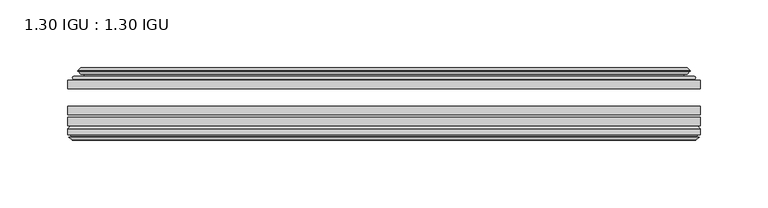
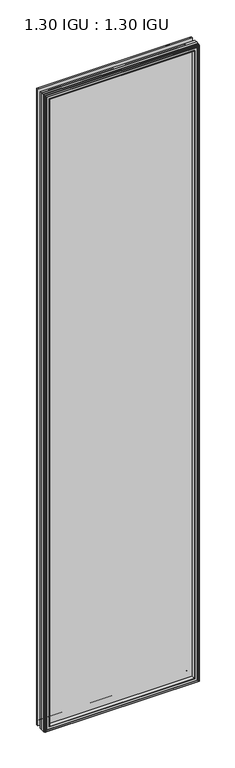
"""IFC4 building model written with IfcOpenShell, lengths in millimetres: plate geometry, 1.30 IGU : 1.30 IGU."""

from ifc_helpers import new_model, si_unit, frame, origin, place, context, project, spatial, polyline, ellipse_curve, outline, extrude, faceted_brep, source, transform, mapped, element, save
from ifc_brep_helpers import plane_surface, cylinder_surface, revolved_surface, advanced_brep


def plate_1_30_igu_1_30_igu_d434692c(model_context):
    return source(origin(), model_context, "Body", "SolidModel", [
        extrude(outline(polyline([(233.2955532, -44.92625), (233.2955532, -51.27625), (-233.3625, -51.27625), (-233.3625, -44.92625), (233.2955532, -44.92625)])), frame((0.0, 0.0, -14.2875), z_axis=(0.0, 0.0, 1.0), x_axis=(1.0, 0.0, 0.0)), (0.0, 0.0, 1.0), 2025.65),
        extrude(outline(polyline([(-233.3625, -78.58125), (-233.3625, -72.23125), (233.2955532, -72.23125), (233.2955532, -78.58125), (-233.3625, -78.58125)])), frame((0.0, 0.0, -14.2875), z_axis=(0.0, 0.0, 1.0), x_axis=(1.0, 0.0, 0.0)), (0.0, 0.0, 1.0), 2025.65),
        extrude(outline(polyline([(-233.3625, -70.32625), (-233.3625, -63.97625), (233.2955532, -63.97625), (233.2955532, -70.32625), (-233.3625, -70.32625)])), frame((0.0, 0.0, -14.2875), z_axis=(0.0, 0.0, 1.0), x_axis=(1.0, 0.0, 0.0)), (0.0, 0.0, 1.0), 2025.65),
        advanced_brep(
        [(-215.0272902, -43.8351483, 1993.0272902), (-215.4691004, -44.92625, 1993.4691004), (-215.4691004, -44.92625, 3.6058996), (-215.0272902, -43.8351483, 4.0477098), (-219.075, -36.11245, 1997.075), (-219.075, -36.11245, 0.0), (-224.2609109, -37.2935491, 2002.2609109), (-224.2609109, -37.2935491, -5.1859109), (-223.9313356, -36.4664324, 2001.9313356), (-223.9313356, -36.4664324, -4.8563356), (-223.9313356, -35.6521812, 2001.9313356), (-223.9313356, -35.6521812, -4.8563356), (-225.7476111, -37.610817, 2003.7476111), (-225.7476111, -37.610817, -6.6726111), (-225.7476111, -38.3239429, 2003.7476111), (-225.7476111, -38.3239429, -6.6726111), (-223.9313356, -40.2727974, 2001.9313356), (-223.9313356, -40.2727974, -4.8563356), (-223.9313356, -39.4683275, 2001.9313356), (-223.9313356, -39.4683275, -4.8563356), (-224.2532501, -38.6604367, 2002.2532501), (-224.2532501, -38.6604367, -5.1782501), (-221.7294379, -38.502045, 1999.7294379), (-221.7294379, -38.502045, -2.6544379), (-220.7036217, -39.1897544, 1998.7036217), (-220.7036217, -39.1897544, -1.6286217), (-220.8220288, -40.5842231, 1998.8220288), (-220.8220288, -40.5842231, -1.7470288), (-221.4237748, -42.08145, 1999.4237748), (-221.4237748, -42.08145, -2.3487748), (-229.3495553, -43.9898729, 2007.3495553), (-228.8639245, -42.08145, 2006.8639245), (-228.8639245, -42.08145, -9.7889245), (-229.3495553, -43.9898729, -10.2745553), (-227.6288155, -44.92625, 2005.6288155), (-227.6288155, -44.92625, -8.5538155), (215.4691004, -44.92625, 3.6058996), (215.0272902, -43.8351483, 4.0477098), (219.075, -36.11245, 0.0), (224.2609109, -37.2935491, -5.1859109), (223.9313356, -36.4664324, -4.8563356), (223.9313356, -35.6521812, -4.8563356), (225.7476111, -37.610817, -6.6726111), (225.7476111, -38.3239429, -6.6726111), (223.9313356, -40.2727974, -4.8563356), (223.9313356, -39.4683275, -4.8563356), (224.2532501, -38.6604367, -5.1782501), (221.7294379, -38.502045, -2.6544379), (220.7036217, -39.1897544, -1.6286217), (220.8220288, -40.5842231, -1.7470288), (221.4237748, -42.08145, -2.3487748), (228.8639245, -42.08145, -9.7889245), (229.3495553, -43.9898729, -10.2745553), (227.6288155, -44.92625, -8.5538155), (215.4691004, -44.92625, 1993.4691004), (215.0272902, -43.8351483, 1993.0272902), (219.075, -36.11245, 1997.075), (224.2609109, -37.2935491, 2002.2609109), (223.9313356, -36.4664324, 2001.9313356), (223.9313356, -35.6521812, 2001.9313356), (225.7476111, -37.610817, 2003.7476111), (225.7476111, -38.3239429, 2003.7476111), (223.9313356, -40.2727974, 2001.9313356), (223.9313356, -39.4683275, 2001.9313356), (224.2532501, -38.6604367, 2002.2532501), (221.7294379, -38.502045, 1999.7294379), (220.7036217, -39.1897544, 1998.7036217), (220.8220288, -40.5842231, 1998.8220288), (221.4237748, -42.08145, 1999.4237748), (228.8639245, -42.08145, 2006.8639245), (229.3495553, -43.9898729, 2007.3495553), (227.6288155, -44.92625, 2005.6288155)],
        [
            (0, 1, ellipse_curve(frame((-215.4691004, -44.29125, 1993.4691004), z_axis=(-0.7071067811865475, 0.0, -0.7071067811865475), x_axis=(-0.7071067811865474, 0.0, 0.7071067811865476)), 0.8980256, 0.635)),
            (1, 2),
            (2, 3, ellipse_curve(frame((-215.4691004, -44.29125, 3.6058996), z_axis=(-0.7071067811865475, 0.0, 0.7071067811865475), x_axis=(0.7071067811865474, 0.0, 0.7071067811865476)), 0.8980256, 0.635)),
            (3, 0),
            (4, 0, ellipse_curve(frame((-205.3422054, -33.8367745, 1983.3422054), z_axis=(0.7071067811865475, 0.0, 0.7071067811865475), x_axis=(0.7071067811865474, 0.0, -0.7071067811865476)), 19.6859517, 13.9200699)),
            (3, 5, ellipse_curve(frame((-205.3422054, -33.8367745, 13.7327946), z_axis=(0.7071067811865475, 0.0, -0.7071067811865475), x_axis=(-0.7071067811865474, 0.0, -0.7071067811865476)), 19.6859517, 13.9200699)),
            (5, 4),
            (6, 4),
            (5, 7),
            (7, 6),
            (8, 6),
            (7, 9),
            (9, 8),
            (10, 8),
            (9, 11),
            (11, 10),
            (12, 10),
            (11, 13),
            (13, 12),
            (14, 12, ellipse_curve(frame((-225.3857729, -37.96738, 2003.3857729), z_axis=(-0.7071067811865475, 0.0, -0.7071067811865475), x_axis=(-0.7071067811865474, 0.0, 0.7071067811865476)), 0.7184205, 0.508)),
            (13, 15, ellipse_curve(frame((-225.3857729, -37.96738, -6.3107729), z_axis=(-0.7071067811865475, 0.0, 0.7071067811865475), x_axis=(0.7071067811865474, 0.0, 0.7071067811865476)), 0.7184205, 0.508)),
            (15, 14),
            (16, 14),
            (15, 17),
            (17, 16),
            (18, 16),
            (17, 19),
            (19, 18),
            (20, 18),
            (19, 21),
            (21, 20),
            (22, 20),
            (21, 23),
            (23, 22),
            (24, 22, ellipse_curve(frame((-221.6658, -39.51605, 1999.6658), z_axis=(0.7071067811865475, 0.0, 0.7071067811865475), x_axis=(0.7071067811865474, 0.0, -0.7071067811865476)), 1.436841, 1.016)),
            (23, 25, ellipse_curve(frame((-221.6658, -39.51605, -2.5908), z_axis=(0.7071067811865475, 0.0, -0.7071067811865475), x_axis=(-0.7071067811865474, 0.0, -0.7071067811865476)), 1.436841, 1.016)),
            (25, 24),
            (26, 24, ellipse_curve(frame((-223.0374, -39.69385, 2001.0374), z_axis=(0.7071067811865475, 0.0, 0.7071067811865475), x_axis=(0.7071067811865474, 0.0, -0.7071067811865476)), 3.3765763, 2.3876)),
            (25, 27, ellipse_curve(frame((-223.0374, -39.69385, -3.9624), z_axis=(0.7071067811865475, 0.0, -0.7071067811865475), x_axis=(-0.7071067811865474, 0.0, -0.7071067811865476)), 3.3765763, 2.3876)),
            (27, 26),
            (28, 26),
            (27, 29),
            (29, 28),
            (30, 31, ellipse_curve(frame((-228.8639245, -43.09745, 2006.8639245), z_axis=(-0.7071067811865475, 0.0, -0.7071067811865475), x_axis=(-0.7071067811865474, 0.0, 0.7071067811865476)), 1.436841, 1.016)),
            (31, 32),
            (32, 33, ellipse_curve(frame((-228.8639245, -43.09745, -9.7889245), z_axis=(-0.7071067811865475, 0.0, 0.7071067811865475), x_axis=(0.7071067811865474, 0.0, 0.7071067811865476)), 1.436841, 1.016)),
            (33, 30),
            (34, 30),
            (33, 35),
            (35, 34),
            (2, 36),
            (36, 37, ellipse_curve(frame((215.4691004, -44.29125, 3.6058996), z_axis=(-0.7071067811865475, 0.0, -0.7071067811865475), x_axis=(-0.7071067811865476, 0.0, 0.7071067811865474)), 0.8980256, 0.635)),
            (37, 3),
            (37, 38, ellipse_curve(frame((205.3422054, -33.8367745, 13.7327946), z_axis=(0.7071067811865475, 0.0, 0.7071067811865475), x_axis=(0.7071067811865476, 0.0, -0.7071067811865474)), 19.6859517, 13.9200699)),
            (38, 5),
            (38, 39),
            (39, 7),
            (39, 40),
            (40, 9),
            (40, 41),
            (41, 11),
            (41, 42),
            (42, 13),
            (42, 43, ellipse_curve(frame((225.3857729, -37.96738, -6.3107729), z_axis=(-0.7071067811865475, 0.0, -0.7071067811865475), x_axis=(-0.7071067811865476, 0.0, 0.7071067811865474)), 0.7184205, 0.508)),
            (43, 15),
            (43, 44),
            (44, 17),
            (44, 45),
            (45, 19),
            (45, 46),
            (46, 21),
            (46, 47),
            (47, 23),
            (47, 48, ellipse_curve(frame((221.6658, -39.51605, -2.5908), z_axis=(0.7071067811865475, 0.0, 0.7071067811865475), x_axis=(0.7071067811865476, 0.0, -0.7071067811865474)), 1.436841, 1.016)),
            (48, 25),
            (48, 49, ellipse_curve(frame((223.0374, -39.69385, -3.9624), z_axis=(0.7071067811865475, 0.0, 0.7071067811865475), x_axis=(0.7071067811865476, 0.0, -0.7071067811865474)), 3.3765763, 2.3876)),
            (49, 27),
            (49, 50),
            (50, 29),
            (32, 51),
            (51, 52, ellipse_curve(frame((228.8639245, -43.09745, -9.7889245), z_axis=(-0.7071067811865475, 0.0, -0.7071067811865475), x_axis=(-0.7071067811865476, 0.0, 0.7071067811865474)), 1.436841, 1.016)),
            (52, 33),
            (52, 53),
            (53, 35),
            (36, 54),
            (54, 55, ellipse_curve(frame((215.4691004, -44.29125, 1993.4691004), z_axis=(0.7071067811865475, 0.0, -0.7071067811865475), x_axis=(-0.7071067811865474, 0.0, -0.7071067811865476)), 0.8980256, 0.635)),
            (55, 37),
            (55, 56, ellipse_curve(frame((205.3422054, -33.8367745, 1983.3422054), z_axis=(-0.7071067811865475, 0.0, 0.7071067811865475), x_axis=(0.7071067811865474, 0.0, 0.7071067811865476)), 19.6859517, 13.9200699)),
            (56, 38),
            (56, 57),
            (57, 39),
            (57, 58),
            (58, 40),
            (58, 59),
            (59, 41),
            (59, 60),
            (60, 42),
            (60, 61, ellipse_curve(frame((225.3857729, -37.96738, 2003.3857729), z_axis=(0.7071067811865475, 0.0, -0.7071067811865475), x_axis=(-0.7071067811865474, 0.0, -0.7071067811865476)), 0.7184205, 0.508)),
            (61, 43),
            (61, 62),
            (62, 44),
            (62, 63),
            (63, 45),
            (63, 64),
            (64, 46),
            (64, 65),
            (65, 47),
            (65, 66, ellipse_curve(frame((221.6658, -39.51605, 1999.6658), z_axis=(-0.7071067811865475, 0.0, 0.7071067811865475), x_axis=(0.7071067811865474, 0.0, 0.7071067811865476)), 1.436841, 1.016)),
            (66, 48),
            (66, 67, ellipse_curve(frame((223.0374, -39.69385, 2001.0374), z_axis=(-0.7071067811865475, 0.0, 0.7071067811865475), x_axis=(0.7071067811865474, 0.0, 0.7071067811865476)), 3.3765763, 2.3876)),
            (67, 49),
            (67, 68),
            (68, 50),
            (51, 69),
            (69, 70, ellipse_curve(frame((228.8639245, -43.09745, 2006.8639245), z_axis=(0.7071067811865475, 0.0, -0.7071067811865475), x_axis=(-0.7071067811865474, 0.0, -0.7071067811865476)), 1.436841, 1.016)),
            (70, 52),
            (70, 71),
            (71, 53),
            (54, 1),
            (0, 55),
            (4, 56),
            (6, 57),
            (8, 58),
            (10, 59),
            (12, 60),
            (14, 61),
            (16, 62),
            (18, 63),
            (20, 64),
            (22, 65),
            (24, 66),
            (26, 67),
            (28, 68),
            (31, 69),
            (30, 70),
            (34, 71),
        ],
        [
            cylinder_surface(frame((-215.4691004, -44.29125, 2028.825), z_axis=(0.0, 0.0, 1.0), x_axis=(-1.0, 0.0, 0.0)), 0.635),
            revolved_surface(polyline([(-219.2622753, -33.8367745, -0.18727534118079348), (-219.2622753, -33.8367745, 1997.2622753411808)]), (-205.3422054, -33.8367745, 2028.825), (0.0, 0.0, -1.0)),
            plane_surface(frame((-219.075, -36.11245, 1997.075), z_axis=(-0.22206498442778658, 0.975031867525922, 0.0), x_axis=(0.0, 0.0, -1.0))),
            plane_surface(frame((-224.2609109, -37.2935491, 2002.2609109), z_axis=(0.9289682685629922, -0.3701593656833182, 0.0), x_axis=(0.0, 0.0, -1.0))),
            plane_surface(frame((-223.9313356, -36.4664324, 2001.9313356), z_axis=(1.0, 0.0, 0.0), x_axis=(0.0, 0.0, -1.0))),
            plane_surface(frame((-223.9313356, -35.6521812, 2001.9313356), z_axis=(-0.7332521292723956, 0.6799568478348447, 0.0), x_axis=(0.0, 0.0, -1.0))),
            cylinder_surface(frame((-225.3857729, -37.96738, 2028.825), z_axis=(0.0, 0.0, 1.0), x_axis=(-1.0, 0.0, 0.0)), 0.508),
            plane_surface(frame((-225.7476111, -38.3239429, 2003.7476111), z_axis=(-0.7315522693036389, -0.6817853601220082, 0.0), x_axis=(0.0, 0.0, -1.0))),
            plane_surface(frame((-223.9313356, -40.2727974, 2001.9313356), z_axis=(1.0, 0.0, 0.0), x_axis=(0.0, 0.0, -1.0))),
            plane_surface(frame((-223.9313356, -39.4683275, 2001.9313356), z_axis=(0.9289682685631103, 0.37015936568302166, 0.0), x_axis=(0.0, 0.0, -1.0))),
            plane_surface(frame((-224.2532501, -38.6604367, 2002.2532501), z_axis=(0.06263570119321644, -0.9980364567169048, 0.0), x_axis=(0.0, 0.0, -1.0))),
            revolved_surface(polyline([(-222.68179999999998, -39.51605, -3.6068000145867245), (-222.68179999999998, -39.51605, 2000.6818000145868)]), (-221.6658, -39.51605, 2028.825), (0.0, 0.0, -1.0)),
            revolved_surface(polyline([(-225.42499999999998, -39.69385, -6.3499999989237494), (-225.42499999999998, -39.69385, 2003.4249999989238)]), (-223.0374, -39.69385, 2028.825), (0.0, 0.0, -1.0)),
            plane_surface(frame((-220.8220288, -40.5842231, 1998.8220288), z_axis=(-0.9278652925428912, 0.372915538553028, 0.0), x_axis=(0.0, 0.0, -1.0))),
            cylinder_surface(frame((-228.8639245, -43.09745, 2028.825), z_axis=(0.0, 0.0, 1.0), x_axis=(-1.0, 0.0, 0.0)), 1.016),
            plane_surface(frame((-229.3495553, -43.9898729, 2007.3495553), z_axis=(-0.477983117370979, -0.8783690223979447, 0.0), x_axis=(0.0, 0.0, -1.0))),
            cylinder_surface(frame((-250.825, -44.29125, 3.6058996), z_axis=(-1.0, 0.0, 0.0), x_axis=(0.0, 0.0, -1.0)), 0.635),
            revolved_surface(polyline([(219.26227534118084, -33.8367745, -0.1872752999999996), (-219.26227534118084, -33.8367745, -0.1872752999999996)]), (-250.825, -33.8367745, 13.7327946), (1.0, 0.0, 0.0)),
            plane_surface(frame((-219.075, -36.11245, 0.0), z_axis=(0.0, 0.9750318675259213, -0.22206498442778974), x_axis=(1.0, 0.0, 0.0))),
            plane_surface(frame((-224.2609109, -37.2935491, -5.1859109), z_axis=(0.0, -0.3701593656833152, 0.9289682685629934), x_axis=(1.0, 0.0, 0.0))),
            plane_surface(frame((-223.9313356, -36.4664324, -4.8563356), z_axis=(0.0, 0.0, 1.0), x_axis=(1.0, 0.0, 0.0))),
            plane_surface(frame((-223.9313356, -35.6521812, -4.8563356), z_axis=(0.0, 0.6799568478348423, -0.7332521292723978), x_axis=(1.0, 0.0, 0.0))),
            cylinder_surface(frame((-250.825, -37.96738, -6.3107729), z_axis=(-1.0, 0.0, 0.0), x_axis=(0.0, 0.0, -1.0)), 0.508),
            plane_surface(frame((-225.7476111, -38.3239429, -6.6726111), z_axis=(0.0, -0.6817853601220105, -0.7315522693036367), x_axis=(1.0, 0.0, 0.0))),
            plane_surface(frame((-223.9313356, -40.2727974, -4.8563356), z_axis=(0.0, 0.0, 1.0), x_axis=(1.0, 0.0, 0.0))),
            plane_surface(frame((-223.9313356, -39.4683275, -4.8563356), z_axis=(0.0, 0.37015936568302465, 0.9289682685631091), x_axis=(1.0, 0.0, 0.0))),
            plane_surface(frame((-224.2532501, -38.6604367, -5.1782501), z_axis=(0.0, -0.9980364567169046, 0.06263570119321968), x_axis=(1.0, 0.0, 0.0))),
            revolved_surface(polyline([(222.68180001458683, -39.51605, -3.6068000000000002), (-222.68180001458686, -39.51605, -3.6068000000000002)]), (-250.825, -39.51605, -2.5908), (1.0, 0.0, 0.0)),
            revolved_surface(polyline([(225.4249999989238, -39.69385, -6.35), (-225.42499999892377, -39.69385, -6.35)]), (-250.825, -39.69385, -3.9624), (1.0, 0.0, 0.0)),
            plane_surface(frame((-220.8220288, -40.5842231, -1.7470288), z_axis=(0.0, 0.372915538553025, -0.9278652925428924), x_axis=(1.0, 0.0, 0.0))),
            cylinder_surface(frame((-250.825, -43.09745, -9.7889245), z_axis=(-1.0, 0.0, 0.0), x_axis=(0.0, 0.0, -1.0)), 1.016),
            plane_surface(frame((-229.3495553, -43.9898729, -10.2745553), z_axis=(0.0, -0.8783690223979462, -0.47798311737097615), x_axis=(1.0, 0.0, 0.0))),
            cylinder_surface(frame((215.4691004, -44.29125, -31.75), z_axis=(0.0, 0.0, -1.0), x_axis=(1.0, 0.0, 0.0)), 0.635),
            revolved_surface(polyline([(219.2622753, -33.8367745, 1997.2622753411808), (219.2622753, -33.8367745, -0.1872753411808432)]), (205.3422054, -33.8367745, -31.75), (0.0, 0.0, 1.0)),
            plane_surface(frame((219.075, -36.11245, 0.0), z_axis=(0.22206498442779288, 0.9750318675259205, 0.0), x_axis=(0.0, 0.0, 1.0))),
            plane_surface(frame((224.2609109, -37.2935491, -5.1859109), z_axis=(-0.9289682685629946, -0.3701593656833122, 0.0), x_axis=(0.0, 0.0, 1.0))),
            plane_surface(frame((223.9313356, -36.4664324, -4.8563356), z_axis=(-1.0, 0.0, 0.0), x_axis=(0.0, 0.0, 1.0))),
            plane_surface(frame((223.9313356, -35.6521812, -4.8563356), z_axis=(0.7332521292724, 0.67995684783484, 0.0), x_axis=(0.0, 0.0, 1.0))),
            cylinder_surface(frame((225.3857729, -37.96738, -31.75), z_axis=(0.0, 0.0, -1.0), x_axis=(1.0, 0.0, 0.0)), 0.508),
            plane_surface(frame((225.7476111, -38.3239429, -6.6726111), z_axis=(0.7315522693036345, -0.6817853601220129, 0.0), x_axis=(0.0, 0.0, 1.0))),
            plane_surface(frame((223.9313356, -40.2727974, -4.8563356), z_axis=(-1.0, 0.0, 0.0), x_axis=(0.0, 0.0, 1.0))),
            plane_surface(frame((223.9313356, -39.4683275, -4.8563356), z_axis=(-0.928968268563108, 0.3701593656830277, 0.0), x_axis=(0.0, 0.0, 1.0))),
            plane_surface(frame((224.2532501, -38.6604367, -5.1782501), z_axis=(-0.06263570119322291, -0.9980364567169043, 0.0), x_axis=(0.0, 0.0, 1.0))),
            revolved_surface(polyline([(222.68179999999998, -39.51605, 2000.6818000145868), (222.68179999999998, -39.51605, -3.606800014586863)]), (221.6658, -39.51605, -31.75), (0.0, 0.0, 1.0)),
            revolved_surface(polyline([(225.42499999999998, -39.69385, 2003.4249999989238), (225.42499999999998, -39.69385, -6.349999998923781)]), (223.0374, -39.69385, -31.75), (0.0, 0.0, 1.0)),
            plane_surface(frame((220.8220288, -40.5842231, -1.7470288), z_axis=(0.9278652925428936, 0.372915538553022, 0.0), x_axis=(0.0, 0.0, 1.0))),
            cylinder_surface(frame((228.8639245, -43.09745, -31.75), z_axis=(0.0, 0.0, -1.0), x_axis=(1.0, 0.0, 0.0)), 1.016),
            plane_surface(frame((229.3495553, -43.9898729, -10.2745553), z_axis=(0.4779831173709733, -0.8783690223979478, 0.0), x_axis=(0.0, 0.0, 1.0))),
            cylinder_surface(frame((250.825, -44.29125, 1993.4691004), z_axis=(1.0, 0.0, 0.0), x_axis=(0.0, 0.0, 1.0)), 0.635),
            revolved_surface(polyline([(-219.26227534118084, -33.8367745, 1997.2622753), (219.26227534118084, -33.8367745, 1997.2622753)]), (250.825, -33.8367745, 1983.3422054), (-1.0, 0.0, 0.0)),
            plane_surface(frame((219.075, -36.11245, 1997.075), z_axis=(0.0, 0.9750318675259212, 0.2220649844277897), x_axis=(-1.0, 0.0, 0.0))),
            plane_surface(frame((224.2609109, -37.2935491, 2002.2609109), z_axis=(0.0, -0.3701593656833152, -0.9289682685629934), x_axis=(-1.0, 0.0, 0.0))),
            plane_surface(frame((223.9313356, -36.4664324, 2001.9313356), z_axis=(0.0, 0.0, -1.0), x_axis=(-1.0, 0.0, 0.0))),
            plane_surface(frame((223.9313356, -35.6521812, 2001.9313356), z_axis=(0.0, 0.6799568478348423, 0.7332521292723978), x_axis=(-1.0, 0.0, 0.0))),
            cylinder_surface(frame((250.825, -37.96738, 2003.3857729), z_axis=(1.0, 0.0, 0.0), x_axis=(0.0, 0.0, 1.0)), 0.508),
            plane_surface(frame((225.7476111, -38.3239429, 2003.7476111), z_axis=(0.0, -0.6817853601220105, 0.7315522693036367), x_axis=(-1.0, 0.0, 0.0))),
            plane_surface(frame((223.9313356, -40.2727974, 2001.9313356), z_axis=(0.0, 0.0, -1.0), x_axis=(-1.0, 0.0, 0.0))),
            plane_surface(frame((223.9313356, -39.4683275, 2001.9313356), z_axis=(0.0, 0.3701593656830247, -0.9289682685631092), x_axis=(-1.0, 0.0, 0.0))),
            plane_surface(frame((224.2532501, -38.6604367, 2002.2532501), z_axis=(0.0, -0.9980364567169046, -0.06263570119321968), x_axis=(-1.0, 0.0, 0.0))),
            revolved_surface(polyline([(-222.68180001458683, -39.51605, 2000.6818), (222.68180001458686, -39.51605, 2000.6818)]), (250.825, -39.51605, 1999.6658), (-1.0, 0.0, 0.0)),
            revolved_surface(polyline([(-225.4249999989238, -39.69385, 2003.425), (225.42499999892377, -39.69385, 2003.425)]), (250.825, -39.69385, 2001.0374), (-1.0, 0.0, 0.0)),
            plane_surface(frame((220.8220288, -40.5842231, 1998.8220288), z_axis=(0.0, 0.372915538553025, 0.9278652925428924), x_axis=(-1.0, 0.0, 0.0))),
            plane_surface(frame((221.4237748, -42.08145, 1999.4237748), z_axis=(0.0, 1.0, 0.0), x_axis=(-1.0, 0.0, 0.0))),
            cylinder_surface(frame((250.825, -43.09745, 2006.8639245), z_axis=(1.0, 0.0, 0.0), x_axis=(0.0, 0.0, 1.0)), 1.016),
            plane_surface(frame((229.3495553, -43.9898729, 2007.3495553), z_axis=(0.0, -0.8783690223979462, 0.47798311737097615), x_axis=(-1.0, 0.0, 0.0))),
            plane_surface(frame((227.6288155, -44.92625, 2005.6288155), z_axis=(0.0, -1.0, 0.0), x_axis=(-1.0, 0.0, 0.0))),
        ],
        [
            (0, [[1, 2, 3, 4]]),
            (1, [[5, -4, 6, 7]]),
            (2, [[8, -7, 9, 10]]),
            (3, [[11, -10, 12, 13]]),
            (4, [[14, -13, 15, 16]]),
            (5, [[17, -16, 18, 19]]),
            (6, [[20, -19, 21, 22]]),
            (7, [[23, -22, 24, 25]]),
            (8, [[26, -25, 27, 28]]),
            (9, [[29, -28, 30, 31]]),
            (10, [[32, -31, 33, 34]]),
            (11, [[35, -34, 36, 37]]),
            (12, [[38, -37, 39, 40]]),
            (13, [[41, -40, 42, 43]]),
            (14, [[44, 45, 46, 47]]),
            (15, [[48, -47, 49, 50]]),
            (16, [[-3, 51, 52, 53]]),
            (17, [[-6, -53, 54, 55]]),
            (18, [[-9, -55, 56, 57]]),
            (19, [[-12, -57, 58, 59]]),
            (20, [[-15, -59, 60, 61]]),
            (21, [[-18, -61, 62, 63]]),
            (22, [[-21, -63, 64, 65]]),
            (23, [[-24, -65, 66, 67]]),
            (24, [[-27, -67, 68, 69]]),
            (25, [[-30, -69, 70, 71]]),
            (26, [[-33, -71, 72, 73]]),
            (27, [[-36, -73, 74, 75]]),
            (28, [[-39, -75, 76, 77]]),
            (29, [[-42, -77, 78, 79]]),
            (30, [[-46, 80, 81, 82]]),
            (31, [[-49, -82, 83, 84]]),
            (32, [[-52, 85, 86, 87]]),
            (33, [[-54, -87, 88, 89]]),
            (34, [[-56, -89, 90, 91]]),
            (35, [[-58, -91, 92, 93]]),
            (36, [[-60, -93, 94, 95]]),
            (37, [[-62, -95, 96, 97]]),
            (38, [[-64, -97, 98, 99]]),
            (39, [[-66, -99, 100, 101]]),
            (40, [[-68, -101, 102, 103]]),
            (41, [[-70, -103, 104, 105]]),
            (42, [[-72, -105, 106, 107]]),
            (43, [[-74, -107, 108, 109]]),
            (44, [[-76, -109, 110, 111]]),
            (45, [[-78, -111, 112, 113]]),
            (46, [[-81, 114, 115, 116]]),
            (47, [[-83, -116, 117, 118]]),
            (48, [[-86, 119, -1, 120]]),
            (49, [[-88, -120, -5, 121]]),
            (50, [[-90, -121, -8, 122]]),
            (51, [[-92, -122, -11, 123]]),
            (52, [[-94, -123, -14, 124]]),
            (53, [[-96, -124, -17, 125]]),
            (54, [[-98, -125, -20, 126]]),
            (55, [[-100, -126, -23, 127]]),
            (56, [[-102, -127, -26, 128]]),
            (57, [[-104, -128, -29, 129]]),
            (58, [[-106, -129, -32, 130]]),
            (59, [[-108, -130, -35, 131]]),
            (60, [[-110, -131, -38, 132]]),
            (61, [[-112, -132, -41, 133]]),
            (62, [[134, -114, -80, -45], [-79, -113, -133, -43]]),
            (63, [[-115, -134, -44, 135]]),
            (64, [[-117, -135, -48, 136]]),
            (65, [[-84, -118, -136, -50], [-119, -85, -51, -2]]),
        ],
    ),
        faceted_brep([(-215.2207827, -78.58125, 1993.2207827), (-217.7870798, -87.47125, 1995.7870798), (-217.7870798, -87.47125, 1.2879202), (-215.2207827, -78.58125, 3.8542173), (-233.3752, -80.7883102, 2011.3752), (-231.1681398, -78.58125, 2009.1681398), (-231.1681398, -78.58125, -12.0931398), (-233.3752, -80.7883102, -14.3002), (-233.3752, -84.93125, 2011.3752), (-233.3752, -84.93125, -14.3002), (-230.9561775, -86.11489, 2008.9561775), (-231.7953682, -84.93125, 2009.7953682), (-231.7953682, -84.93125, -12.7203682), (-230.9561775, -86.11489, -11.8811775), (-230.759, -87.4125884, 2008.759), (-230.759, -87.4125884, -11.684), (-231.73466, -86.8828917, 2009.73466), (-231.73466, -86.8828917, -12.65966), (-230.2002, -88.6999663, 2008.2002), (-232.5273305, -86.8828917, 2010.5273305), (-232.5273305, -86.8828917, -13.4523305), (-230.2002, -88.6999663, -11.1252), (-227.8730695, -86.8828917, 2005.8730695), (-227.8730695, -86.8828917, -8.7980695), (-229.6414, -87.4125884, 2007.6414), (-228.66574, -86.8828917, 2006.66574), (-228.66574, -86.8828917, -9.59074), (-229.6414, -87.4125884, -10.5664), (-229.4442225, -86.11489, 2007.4442225), (-229.4442225, -86.11489, -10.3692225), (-228.5746, -84.93125, 2006.5746), (-228.5746, -84.93125, -9.4996), (-219.4263667, -87.47125, 1997.4263667), (-218.8972, -84.93125, 1996.8972), (-218.8972, -84.93125, 0.1778), (-219.4263667, -87.47125, -0.3513667), (217.7870798, -87.47125, 1.2879202), (215.2207827, -78.58125, 3.8542173), (231.1681398, -78.58125, -12.0931398), (233.3752, -80.7883102, -14.3002), (233.3752, -84.93125, -14.3002), (231.7953682, -84.93125, -12.7203682), (230.9561775, -86.11489, -11.8811775), (230.759, -87.4125884, -11.684), (231.73466, -86.8828917, -12.65966), (232.5273305, -86.8828917, -13.4523305), (230.2002, -88.6999663, -11.1252), (227.8730695, -86.8828917, -8.7980695), (228.66574, -86.8828917, -9.59074), (229.6414, -87.4125884, -10.5664), (229.4442225, -86.11489, -10.3692225), (228.5746, -84.93125, -9.4996), (218.8972, -84.93125, 0.1778), (219.4263667, -87.47125, -0.3513667), (217.7870798, -87.47125, 1995.7870798), (215.2207827, -78.58125, 1993.2207827), (231.1681398, -78.58125, 2009.1681398), (233.3752, -80.7883102, 2011.3752), (233.3752, -84.93125, 2011.3752), (231.7953682, -84.93125, 2009.7953682), (230.9561775, -86.11489, 2008.9561775), (230.759, -87.4125884, 2008.759), (231.73466, -86.8828917, 2009.73466), (232.5273305, -86.8828917, 2010.5273305), (230.2002, -88.6999663, 2008.2002), (227.8730695, -86.8828917, 2005.8730695), (228.66574, -86.8828917, 2006.66574), (229.6414, -87.4125884, 2007.6414), (229.4442225, -86.11489, 2007.4442225), (228.5746, -84.93125, 2006.5746), (218.8972, -84.93125, 1996.8972), (219.4263667, -87.47125, 1997.4263667)], [[[0, 1, 2, 3]], [[4, 5, 6, 7]], [[8, 4, 7, 9]], [[10, 11, 12, 13]], [[14, 10, 13, 15]], [[16, 14, 15, 17]], [[18, 19, 20, 21]], [[22, 18, 21, 23]], [[24, 25, 26, 27]], [[28, 24, 27, 29]], [[30, 28, 29, 31]], [[32, 33, 34, 35]], [[3, 2, 36, 37]], [[7, 6, 38, 39]], [[9, 7, 39, 40]], [[13, 12, 41, 42]], [[15, 13, 42, 43]], [[17, 15, 43, 44]], [[21, 20, 45, 46]], [[23, 21, 46, 47]], [[27, 26, 48, 49]], [[29, 27, 49, 50]], [[31, 29, 50, 51]], [[35, 34, 52, 53]], [[37, 36, 54, 55]], [[39, 38, 56, 57]], [[40, 39, 57, 58]], [[42, 41, 59, 60]], [[43, 42, 60, 61]], [[44, 43, 61, 62]], [[46, 45, 63, 64]], [[47, 46, 64, 65]], [[49, 48, 66, 67]], [[50, 49, 67, 68]], [[51, 50, 68, 69]], [[53, 52, 70, 71]], [[55, 54, 1, 0]], [[5, 56, 38, 6], [3, 37, 55, 0]], [[57, 56, 5, 4]], [[58, 57, 4, 8]], [[9, 40, 58, 8], [11, 59, 41, 12]], [[60, 59, 11, 10]], [[61, 60, 10, 14]], [[62, 61, 14, 16]], [[19, 63, 45, 20], [17, 44, 62, 16]], [[64, 63, 19, 18]], [[65, 64, 18, 22]], [[25, 66, 48, 26], [23, 47, 65, 22]], [[67, 66, 25, 24]], [[68, 67, 24, 28]], [[69, 68, 28, 30]], [[31, 51, 69, 30], [33, 70, 52, 34]], [[71, 70, 33, 32]], [[35, 53, 71, 32], [1, 54, 36, 2]]]),
    ])


if __name__ == "__main__":
    model = new_model("IFC4")
    model_context = context("Model", 3, world=origin())
    ifc_project = project(units=[si_unit("LENGTHUNIT", "METRE", prefix="MILLI")], contexts=[model_context])
    site = spatial("IfcSite", under=ifc_project)
    building = spatial("IfcBuilding", under=site)
    placement = place(None, origin())
    plate_1_30_igu_1_30_igu_shape = plate_1_30_igu_1_30_igu_d434692c(model_context)
    element("IfcPlate", 1, ObjectType="1.30 IGU : 1.30 IGU", at=placement, inside=building, context=model_context, shape_type="MappedRepresentation", body=[
        mapped(plate_1_30_igu_1_30_igu_shape, transform((0.0, 0.0, 0.0), x_axis=(1.0, 0.0, 0.0), y_axis=(0.0, 1.0, 0.0), z_axis=(0.0, 0.0, 1.0))),
    ])
    save(model, "model.ifc")
